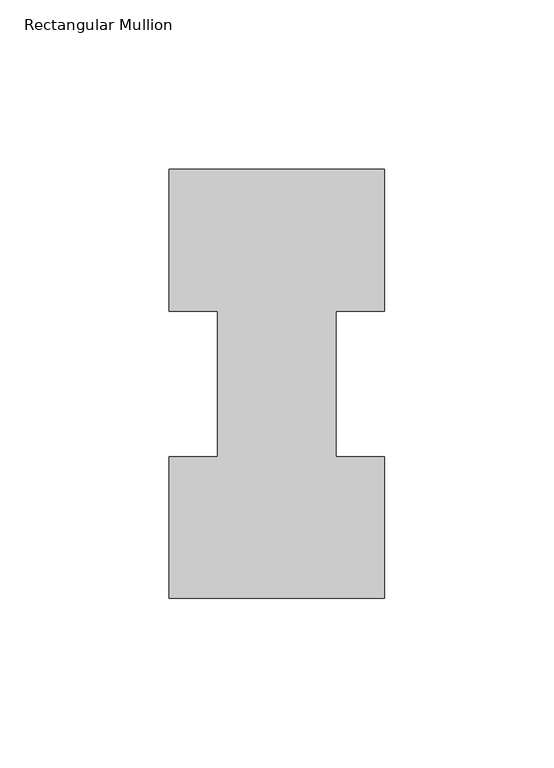
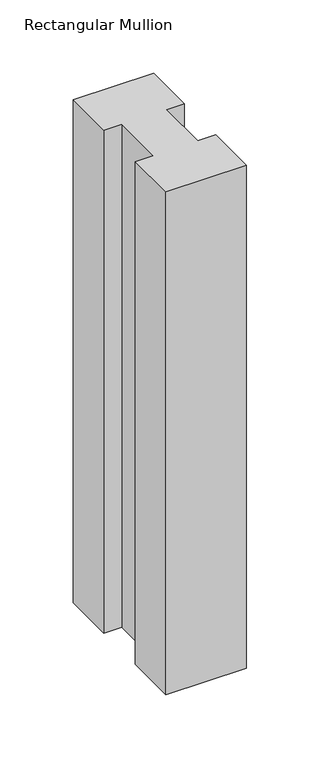
"""IFC4 building model written with IfcOpenShell, lengths in millimetres: member geometry, Rectangular Mullion."""

from ifc_helpers import new_model, si_unit, frame, origin, place, context, project, spatial, polyline, outline, extrude, source, transform, mapped, element, save


def rectangular_mullion_7d5d687e(model_context):
    return source(origin(), model_context, "Body", "SweptSolid", [
        extrude(outline(polyline([(-63.5, -0.0373063), (-63.5, 41.7837937), (-49.2125, 41.7837937), (-49.2125, 84.6335938), (-63.5, 84.6335938), (-63.5, 126.4546937), (0.0, 126.4546937), (0.0, 84.6335938), (-14.2748, 84.6335938), (-14.2748, 41.7837937), (0.0, 41.7837937), (0.0, -0.0373063), (-63.5, -0.0373063)])), frame((0.0, 0.0, -419.1), z_axis=(0.0, 0.0, 1.0), x_axis=(1.0, 0.0, 0.0)), (0.0, 0.0, 1.0), 419.1),
    ])


if __name__ == "__main__":
    model = new_model("IFC4")
    model_context = context("Model", 3, world=origin())
    ifc_project = project(units=[si_unit("LENGTHUNIT", "METRE", prefix="MILLI")], contexts=[model_context])
    site = spatial("IfcSite", under=ifc_project)
    building = spatial("IfcBuilding", under=site)
    placement = place(None, origin())
    rectangular_mullion_shape = rectangular_mullion_7d5d687e(model_context)
    element("IfcMember", 1, ObjectType="Rectangular Mullion", at=placement, inside=building, context=model_context, shape_type="MappedRepresentation", body=[
        mapped(rectangular_mullion_shape, transform((0.0, 0.0, 0.0), x_axis=(1.0, 0.0, 0.0), y_axis=(0.0, 1.0, 0.0), z_axis=(0.0, 0.0, 1.0))),
    ])
    save(model, "model.ifc")
